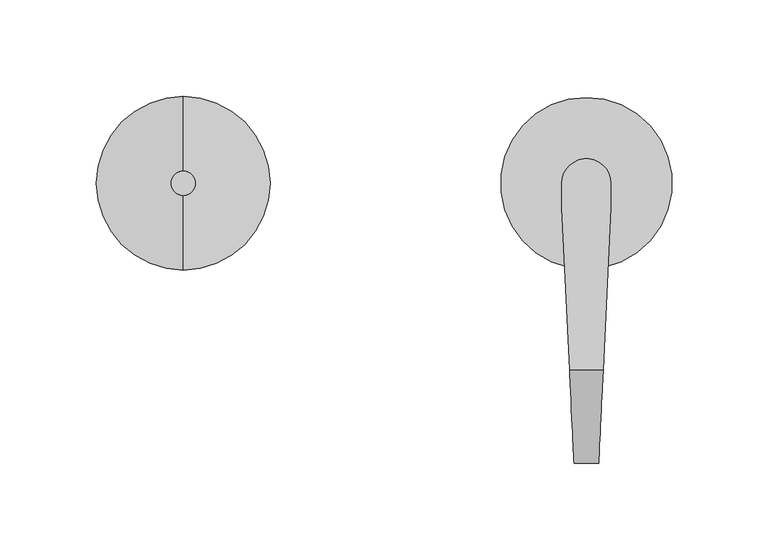
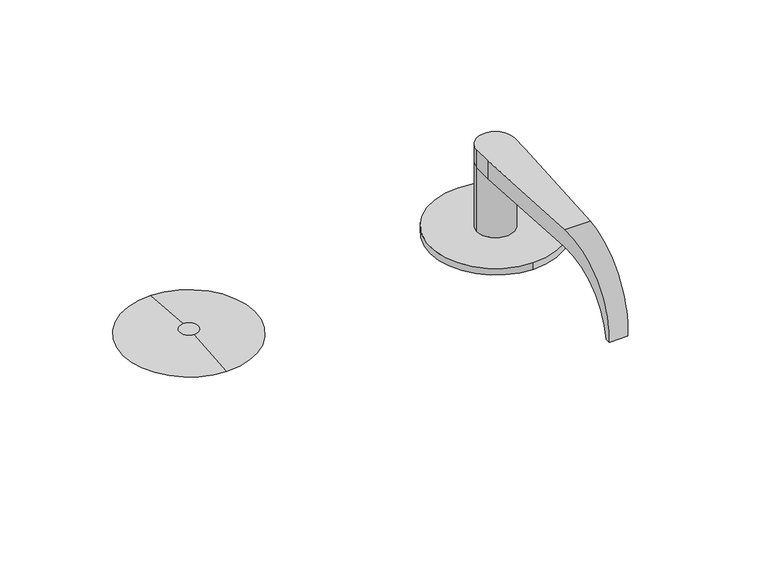
"""IFC4 building model written with IfcOpenShell, lengths in millimetres: proxy geometry."""

from ifc_helpers import new_model, si_unit, frame, origin, place, context, project, spatial, polyline, circle_curve, ellipse_curve, source, transform, mapped, element, save
from ifc_brep_helpers import plane_surface, cylinder_surface, revolved_surface, advanced_brep


def security_devices_95c8cb61(model_context):
    return source(origin(), model_context, "Body", "AdvancedBrep", [
        advanced_brep(
        [(-208.9912, -6.35, 3.175), (-208.9912, 6.35, 3.175), (-208.9912, -45.0088, 0.0), (-208.9912, 45.0088, 0.0)],
        [
            (0, 1, circle_curve(frame((-208.9912, 0.0, 3.175), z_axis=(0.0, 0.0, 1.0), x_axis=(0.0, -1.0, 0.0)), 6.35)),
            (1, 0, circle_curve(frame((-208.9912, 0.0, 3.175), z_axis=(0.0, 0.0, 1.0), x_axis=(0.0, 1.0, 0.0)), 6.35)),
            (2, 3, circle_curve(frame((-208.9912, 0.0, 0.0), z_axis=(0.0, 0.0, -1.0), x_axis=(0.0, 1.0, 0.0)), 45.0088)),
            (3, 2, circle_curve(frame((-208.9912, 0.0, 0.0), z_axis=(0.0, 0.0, -1.0), x_axis=(0.0, -1.0, 0.0)), 45.0088)),
            (3, 1),
            (0, 2),
        ],
        [
            plane_surface(frame((-208.9912, 0.0, 3.175), z_axis=(0.0, 0.0, 1.0), x_axis=(1.0, 0.0, 0.0))),
            plane_surface(frame((-208.9912, 0.0, 0.0), z_axis=(0.0, 0.0, -1.0), x_axis=(1.0, 0.0, 0.0))),
            revolved_surface(polyline([(-208.9912, -6.3499995835972864, 3.175), (-208.9912, -45.0088, 0.0)]), (-208.9912, 0.0, 3.6965177), (0.0, 0.0, -1.0)),
            revolved_surface(polyline([(-208.9912, 6.3499995835972864, 3.175), (-208.9912, 45.0088, 0.0)]), (-208.9912, 0.0, 3.6965177), (0.0, 0.0, -1.0)),
        ],
        [
            (0, [[1, 2]]),
            (1, [[3, 4]]),
            (2, [[-4, 5, -1, 6]]),
            (3, [[-3, -6, -2, -5]]),
        ],
    ),
        advanced_brep(
        [(-0.0080171, -44.4552377, 4.7622), (-0.0080171, 44.4447623, 4.7622), (12.6999978, -0.006278, 4.7622), (-12.7000022, -0.006278, 4.7622), (-0.0080171, -44.4552377, -0.0003), (-0.0080171, 44.4447623, -0.0003), (-12.7000022, 0.006278, 50.7997), (-12.7000022, -12.693722, 50.7997), (-12.7000022, -12.693722, 63.4997), (-12.7000022, 0.006278, 63.4997), (12.6999978, -12.693722, 50.7997), (12.6999978, 0.006278, 50.7997), (12.6999978, -0.006278, 63.4997), (12.6999978, -12.693722, 63.4997), (8.6682503, -96.831222, 50.7997), (-8.6682548, -96.831222, 50.7997), (-8.6682548, -96.831222, 63.4997), (8.6682503, -96.831222, 63.4997), (-6.3500022, -145.210237, 19.1808168), (-6.3500022, -145.210237, 10.688597), (6.3499978, -145.210237, 10.688597), (6.3499978, -145.210237, 19.1808168), (-6.5035986, -142.0048745, 10.688597), (6.5035941, -142.0048745, 10.688597)],
        [
            (0, 1, circle_curve(frame((-0.0080171, -0.0052377, 4.7622), z_axis=(0.0, 0.0, 1.0), x_axis=(0.0, 1.0, 0.0)), 44.45)),
            (1, 0, circle_curve(frame((-0.0080171, -0.0052377, 4.7622), z_axis=(0.0, 0.0, 1.0), x_axis=(0.0, 1.0, 0.0)), 44.45)),
            (2, 3, circle_curve(frame((-2.2e-06, -0.006278, 4.7622), z_axis=(0.0, 0.0, -1.0), x_axis=(0.0, 1.0, 0.0)), 12.7)),
            (3, 2, circle_curve(frame((-2.2e-06, -0.006278, 4.7622), z_axis=(0.0, 0.0, -1.0), x_axis=(0.0, 1.0, 0.0)), 12.7)),
            (4, 5, circle_curve(frame((-0.0080171, -0.0052377, -0.0003), z_axis=(0.0, 0.0, -1.0), x_axis=(0.0, 1.0, 0.0)), 44.45)),
            (5, 4, circle_curve(frame((-0.0080171, -0.0052377, -0.0003), z_axis=(0.0, 0.0, -1.0), x_axis=(0.0, 1.0, 0.0)), 44.45)),
            (0, 4),
            (5, 1),
            (6, 7),
            (7, 8),
            (8, 9),
            (9, 6),
            (10, 11),
            (11, 12),
            (12, 13),
            (13, 10),
            (6, 11, circle_curve(frame((-2.2e-06, -0.006278, 50.7997), z_axis=(0.0, 0.0, 1.0), x_axis=(0.0, 1.0, 0.0)), 12.7)),
            (10, 14),
            (14, 15),
            (15, 7),
            (16, 17),
            (17, 13),
            (12, 9, circle_curve(frame((-2.2e-06, -0.006278, 63.4997), z_axis=(0.0, 0.0, 1.0), x_axis=(0.0, 1.0, 0.0)), 12.7)),
            (8, 16),
            (16, 18, ellipse_curve(frame((-8.6682548, -96.831222, 14.9347069), z_axis=(0.9988538794169152, 0.04786363519185341, 0.0), x_axis=(-0.047863635191850065, 0.9988538794169153, 0.0)), 48.6207182, 48.564993)),
            (18, 19, circle_curve(frame((-6.3500022, -96.831222, 14.9347069), z_axis=(1.0, 0.0, 0.0), x_axis=(0.0, -1.0, 0.0)), 48.564993)),
            (19, 20),
            (20, 21, circle_curve(frame((6.3499978, -96.831222, 14.9347069), z_axis=(-1.0, 0.0, 0.0), x_axis=(0.0, -1.0, 0.0)), 48.564993)),
            (21, 17, ellipse_curve(frame((8.6682503, -96.831222, 14.9347069), z_axis=(-0.9988538794169146, 0.04786363519186305, 0.0), x_axis=(-0.04786363519186451, -0.9988538794169146, 0.0)), 48.6207182, 48.564993)),
            (19, 22),
            (22, 23),
            (23, 20),
            (22, 15, ellipse_curve(frame((-8.6682548, -96.831222, 5.3065672), z_axis=(-0.9988538794169152, -0.04786363519185341, 0.0), x_axis=(0.047863635191850065, -0.9988538794169153, 0.0)), 45.5453332, 45.4931328)),
            (14, 23, ellipse_curve(frame((8.6682503, -96.831222, 5.3065672), z_axis=(0.9988538794169146, -0.04786363519186305, 0.0), x_axis=(0.04786363519186451, 0.9988538794169146, 0.0)), 45.5453332, 45.4931328)),
            (21, 20),
            (18, 19),
            (6, 3),
            (2, 11),
            (6, 11, circle_curve(frame((-2.2e-06, -0.006278, 50.7997), z_axis=(0.0, 0.0, -1.0), x_axis=(0.0, 1.0, 0.0)), 12.7)),
        ],
        [
            plane_surface(frame((-0.0080171, 44.4447623, 4.7622), z_axis=(0.0, 0.0, 1.0), x_axis=(-1.0, 0.0, 0.0))),
            plane_surface(frame((-0.0080171, 44.4447623, -0.0003), z_axis=(0.0, 0.0, -1.0), x_axis=(1.0, 0.0, 0.0))),
            cylinder_surface(frame((-0.0080171, -0.0052377, -0.0003), z_axis=(0.0, 0.0, 1.0), x_axis=(0.0, 1.0, 0.0)), 44.45),
            plane_surface(frame((-12.7000022, -142.3243547, 5.3065672), z_axis=(-1.0, 0.0, 0.0), x_axis=(0.0, 0.0, -1.0))),
            plane_surface(frame((12.6999978, -142.3243547, 5.3065672), z_axis=(1.0, 0.0, 0.0), x_axis=(0.0, 0.0, 1.0))),
            plane_surface(frame((-12.7000022, -25.0324224, 50.7997), z_axis=(0.0, 0.0, -1.0), x_axis=(1.0, 0.0, 0.0))),
            plane_surface(frame((-12.7000022, -96.831222, 63.4997), z_axis=(0.0, 0.0, 1.0), x_axis=(1.0, 0.0, 0.0))),
            cylinder_surface(frame((12.6999978, -96.831222, 14.9347069), z_axis=(-1.0, 0.0, 0.0), x_axis=(0.0, -1.0, 0.0)), 48.564993),
            plane_surface(frame((-12.7000022, -142.0048745, 10.688597), z_axis=(0.0, 0.0, -1.0), x_axis=(1.0, 0.0, 0.0))),
            revolved_surface(polyline([(10.848215512976715, -142.32435479999998, 5.3065672), (-10.848220012976055, -142.32435479999998, 5.3065672)]), (12.6999978, -96.831222, 5.3065672), (1.0, 0.0, 0.0)),
            plane_surface(frame((13.3082626, 0.0, 66.7497141), z_axis=(0.9988538794169146, -0.04786363519186305, 0.0), x_axis=(0.0, 0.0, -1.0))),
            plane_surface(frame((6.3499978, -145.210237, 66.7497141), z_axis=(1.0, 0.0, 0.0), x_axis=(0.0, 0.0, -1.0))),
            plane_surface(frame((-6.3500022, -148.3951356, 66.7497141), z_axis=(-1.0, 0.0, 0.0), x_axis=(0.0, 0.0, -1.0))),
            plane_surface(frame((-6.3500022, -145.210237, 66.7497141), z_axis=(-0.9988538794169152, -0.04786363519185341, 0.0), x_axis=(0.0, 0.0, -1.0))),
            cylinder_surface(frame((-2.2e-06, -0.006278, 4.7622), z_axis=(0.0, 0.0, 1.0), x_axis=(0.0, 1.0, 0.0)), 12.7),
            cylinder_surface(frame((-2.2e-06, -0.006278, 50.7997), z_axis=(0.0, 0.0, -1.0), x_axis=(0.0, 1.0, 0.0)), 12.7),
        ],
        [
            (0, [[1, 2], [3, 4]]),
            (1, [[5, 6]]),
            (2, [[-1, 7, -6, 8]]),
            (2, [[-2, -8, -5, -7]]),
            (3, [[9, 10, 11, 12]]),
            (4, [[13, 14, 15, 16]]),
            (5, [[17, -13, 18, 19, 20, -9]]),
            (6, [[21, 22, -15, 23, -11, 24]]),
            (7, [[-21, 25, 26, 27, 28, 29]]),
            (8, [[-27, 30, 31, 32]]),
            (9, [[-31, 33, -19, 34]]),
            (10, [[35, -32, -34, -18, -16, -22, -29]]),
            (11, [[-35, -28]]),
            (12, [[36, -26]]),
            (13, [[-36, -25, -24, -10, -20, -33, -30]]),
            (14, [[-17, 37, -3, 38]]),
            (14, [[-37, 39, -38, -4]]),
            (15, [[-12, -23, -14, -39]]),
        ],
    ),
    ])


if __name__ == "__main__":
    model = new_model("IFC4")
    model_context = context("Model", 3, world=origin())
    ifc_project = project(units=[si_unit("LENGTHUNIT", "METRE", prefix="MILLI")], contexts=[model_context])
    site = spatial("IfcSite", under=ifc_project)
    building = spatial("IfcBuilding", under=site)
    placement = place(None, origin())
    security_devices_shape = security_devices_95c8cb61(model_context)
    element("IfcBuildingElementProxy", 1, Name="Security Devices", at=placement, inside=building, context=model_context, shape_type="MappedRepresentation", body=[
        mapped(security_devices_shape, transform((0.0, 0.0, 0.0), x_axis=(1.0, 0.0, 0.0), y_axis=(0.0, 1.0, 0.0), z_axis=(0.0, 0.0, 1.0))),
    ])
    save(model, "model.ifc")
